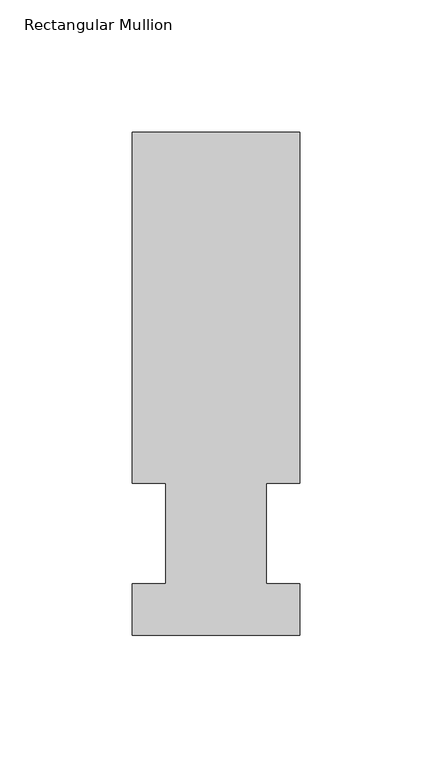
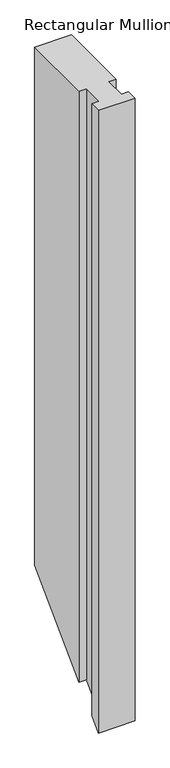
"""IFC4 building model written with IfcOpenShell, lengths in millimetres: member geometry, Rectangular Mullion."""

from ifc_helpers import new_model, si_unit, origin, place, context, project, spatial, faceted_brep, source, transform, mapped, element, save


def rectangular_mullion_7b5599ab(model_context):
    return source(origin(), model_context, "Body", "Brep", [
        faceted_brep([(-63.5, 190.5896938, 0.0), (-63.5, 57.6460937, 0.0), (-50.8, 57.6460937, 0.0), (-50.8, 19.5460938, 0.0), (-63.5, 19.5460938, 0.0), (-63.5, 0.0134938, 0.0), (0.0, 0.0134938, 0.0), (0.0, 19.5460938, 0.0), (-12.6873, 19.5460938, 0.0), (-12.6873, 57.6460937, 0.0), (0.0, 57.6460937, 0.0), (0.0, 190.5896938, 0.0), (-63.5, 190.5896938, -946.145763), (-63.5, 57.6460937, -1079.089363), (-50.8, 57.6460937, -1079.089363), (-50.8, 19.5460938, -1117.189363), (-63.5, 19.5460938, -1117.189363), (-63.5, 0.0134938, -1136.721963), (0.0, 0.0134938, -1136.721963), (0.0, 19.5460938, -1117.189363), (-12.6873, 19.5460938, -1117.189363), (-12.6873, 57.6460937, -1079.089363), (0.0, 57.6460937, -1079.089363), (0.0, 190.5896938, -946.145763)], [[[0, 1, 2, 3, 4, 5, 6, 7, 8, 9, 10, 11]], [[1, 0, 12, 13]], [[2, 1, 13, 14]], [[3, 2, 14, 15]], [[4, 3, 15, 16]], [[5, 4, 16, 17]], [[6, 5, 17, 18]], [[7, 6, 18, 19]], [[8, 7, 19, 20]], [[9, 8, 20, 21]], [[10, 9, 21, 22]], [[11, 10, 22, 23]], [[0, 11, 23, 12]], [[12, 23, 22, 21, 20, 19, 18, 17, 16, 15, 14, 13]]]),
    ])


if __name__ == "__main__":
    model = new_model("IFC4")
    model_context = context("Model", 3, world=origin())
    ifc_project = project(units=[si_unit("LENGTHUNIT", "METRE", prefix="MILLI")], contexts=[model_context])
    site = spatial("IfcSite", under=ifc_project)
    building = spatial("IfcBuilding", under=site)
    placement = place(None, origin())
    rectangular_mullion_shape = rectangular_mullion_7b5599ab(model_context)
    element("IfcMember", 1, ObjectType="Rectangular Mullion", at=placement, inside=building, context=model_context, shape_type="MappedRepresentation", body=[
        mapped(rectangular_mullion_shape, transform((0.0, 0.0, 0.0), x_axis=(1.0, 0.0, 0.0), y_axis=(0.0, 1.0, 0.0), z_axis=(0.0, 0.0, 1.0))),
    ])
    save(model, "model.ifc")
